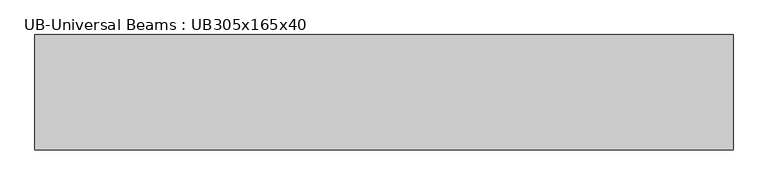
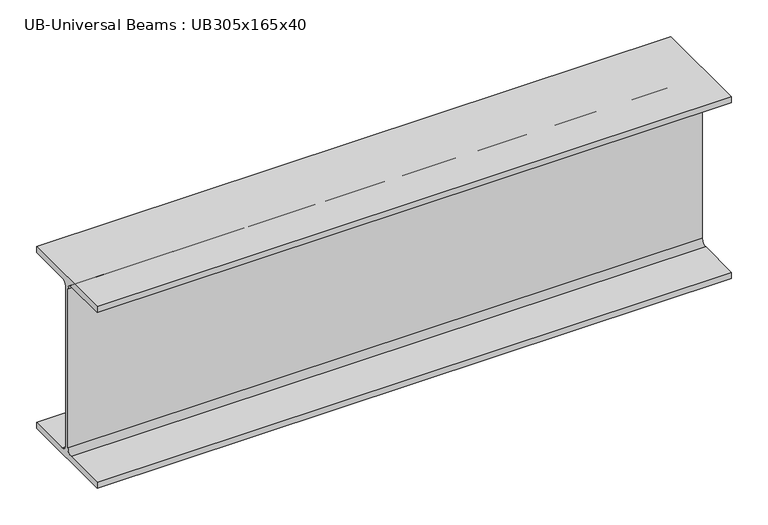
"""IFC4 building model written with IfcOpenShell, lengths in millimetres: beam geometry, UB-Universal Beams : UB305x165x40."""

from ifc_helpers import new_model, si_unit, point, frame, frame_2d, origin, place, context, project, spatial, polyline, circle_curve, trimmed, segment, composite_curve, outline, extrude, source, transform, mapped, element, save


def ub_universal_beams_ub305x165x40_77a1f30a(model_context):
    return source(origin(), model_context, "Body", "SweptSolid", [
        extrude(outline(composite_curve([segment(polyline([(82.5, -141.5), (82.5, -151.7), (-82.5, -151.7), (-82.5, -141.5), (-11.9, -141.5)]), True, "CONTINUOUS"), segment(trimmed(circle_curve(frame_2d((-11.9, -132.6)), 8.9), [point((-11.9, -141.5))], [point((-3.0, -132.6))], True, "CARTESIAN"), True, "CONTINUOUS"), segment(polyline([(-3.0, -132.6), (-3.0, 132.6)]), True, "CONTINUOUS"), segment(trimmed(circle_curve(frame_2d((-11.9, 132.6)), 8.9), [point((-3.0, 132.6))], [point((-11.9, 141.5))], True, "CARTESIAN"), True, "CONTINUOUS"), segment(polyline([(-11.9, 141.5), (-82.5, 141.5), (-82.5, 151.7), (82.5, 151.7), (82.5, 141.5), (11.9, 141.5)]), True, "CONTINUOUS"), segment(trimmed(circle_curve(frame_2d((11.9, 132.6)), 8.9), [point((11.9, 141.5))], [point((3.0, 132.6))], True, "CARTESIAN"), True, "CONTINUOUS"), segment(polyline([(3.0, 132.6), (3.0, -132.6)]), True, "CONTINUOUS"), segment(trimmed(circle_curve(frame_2d((11.9, -132.6)), 8.9), [point((3.0, -132.6))], [point((11.9, -141.5))], True, "CARTESIAN"), True, "CONTINUOUS"), segment(polyline([(11.9, -141.5), (82.5, -141.5)]), True, "CONTINUOUS")], self_intersect=False)), frame((-499.95, 0.0, 0.0), z_axis=(1.0, 0.0, 0.0), x_axis=(0.0, 1.0, 0.0)), (0.0, 0.0, 1.0), 999.9),
    ])


if __name__ == "__main__":
    model = new_model("IFC4")
    model_context = context("Model", 3, world=origin())
    ifc_project = project(units=[si_unit("LENGTHUNIT", "METRE", prefix="MILLI")], contexts=[model_context])
    site = spatial("IfcSite", under=ifc_project)
    building = spatial("IfcBuilding", under=site)
    placement = place(None, origin())
    ub_universal_beams_ub305x165x40_shape = ub_universal_beams_ub305x165x40_77a1f30a(model_context)
    element("IfcBeam", 1, ObjectType="UB-Universal Beams : UB305x165x40", at=placement, inside=building, context=model_context, shape_type="MappedRepresentation", body=[
        mapped(ub_universal_beams_ub305x165x40_shape, transform((0.0, 0.0, 0.0), x_axis=(1.0, 0.0, 0.0), y_axis=(0.0, 1.0, 0.0), z_axis=(0.0, 0.0, 1.0))),
    ])
    save(model, "model.ifc")
